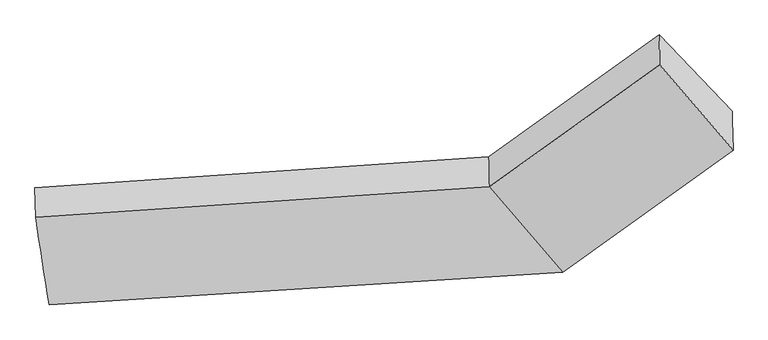
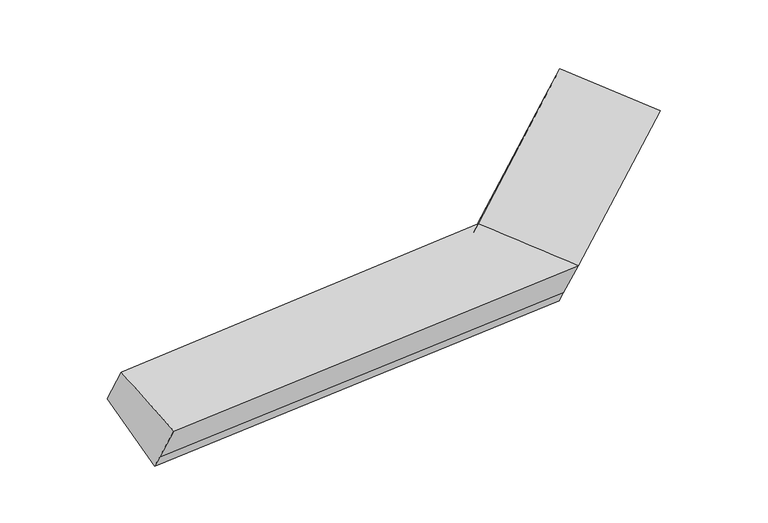
"""IFC4 building model written with IfcOpenShell, lengths in millimetres: proxy geometry."""

import ifcopenshell
import ifcopenshell.guid

model = None  # the IFC model being written
_history = None  # IfcOwnerHistory: only IFC2X3 demands one
_inside = {}  # id of a spatial element -> (the spatial element, [elements in it])
_under = {}  # id of a project, library or spatial element -> (it, [spatial elements below it])
_declared = {}  # id of a project -> (the project, [libraries it declares])
_typed = {}  # id of a type object -> (the type object, [elements of that type])
_made_of = {}  # id of a material, layer set ... -> (it, [elements and type objects made of it])


def new_model(schema):
    """Start an empty IFC model of exactly this schema.

    Asked for "IFC4X3", IfcOpenShell would pick the latest addendum, in which some entities
    have other attributes; the version numbers below select the first issue.
    IFC2X3 requires an IfcOwnerHistory on every rooted entity: one is made here for all.
    """
    global model, _history
    if schema == "IFC4X3":
        model = ifcopenshell.file(schema_version=(4, 3, 0, 0))
    else:
        model = ifcopenshell.file(schema=schema)
    _inside.clear()
    _under.clear()
    _declared.clear()
    _typed.clear()
    _made_of.clear()
    _history = None
    if model.schema == "IFC2X3":
        org = make("IfcOrganization", Name="unknown")
        user = make(
            "IfcPersonAndOrganization",
            ThePerson=make("IfcPerson", FamilyName="unknown"),
            TheOrganization=org,
        )
        app = make(
            "IfcApplication",
            ApplicationDeveloper=org,
            Version="unknown",
            ApplicationFullName="unknown",
            ApplicationIdentifier="unknown",
        )
        _history = make(
            "IfcOwnerHistory",
            OwningUser=user,
            OwningApplication=app,
            ChangeAction="ADDED",
            CreationDate=0,
        )
    return model


def make(cls, **values):
    """One entity of the class cls with the attributes given. An attribute that is None is left unset."""
    return model.create_entity(
        cls, **{name: value for name, value in values.items() if value is not None}
    )


def rooted(cls, **values):
    """An entity with a GlobalId (a new one), such as an element, a storey or a relation."""
    return make(cls, GlobalId=ifcopenshell.guid.new(), OwnerHistory=_history, **values)


def si_unit(unit_type, name, prefix=None):
    """IfcSIUnit, for example si_unit("LENGTHUNIT", "METRE", prefix="MILLI")."""
    return make("IfcSIUnit", UnitType=unit_type, Prefix=prefix, Name=name)


def assignment(units):
    """IfcUnitAssignment: the units of a project."""
    return None if units is None else make("IfcUnitAssignment", Units=units)


def point(xyz):
    """IfcCartesianPoint."""
    return None if xyz is None else make("IfcCartesianPoint", Coordinates=xyz)


def direction(xyz):
    """IfcDirection."""
    return None if xyz is None else make("IfcDirection", DirectionRatios=xyz)


def frame(location, z_axis=None, x_axis=None):
    """IfcAxis2Placement3D, a coordinate frame: its origin and axes. An axis left out is left unset."""
    return make(
        "IfcAxis2Placement3D",
        Location=point(location),
        Axis=direction(z_axis),
        RefDirection=direction(x_axis),
    )


def origin():
    """The frame at (0, 0, 0) with its axes left unset."""
    return frame((0.0, 0.0, 0.0))


def place(relative_to, where):
    """IfcLocalPlacement: puts the frame where relative to a parent placement (None: the world)."""
    return make(
        "IfcLocalPlacement", PlacementRelTo=relative_to, RelativePlacement=where
    )


def context(
    kind, dimensions, precision=None, world=None, true_north=None, identifier=None
):
    """IfcGeometricRepresentationContext, for example the 3D "Model" context."""
    return make(
        "IfcGeometricRepresentationContext",
        ContextIdentifier=identifier,
        ContextType=kind,
        CoordinateSpaceDimension=dimensions,
        Precision=precision,
        WorldCoordinateSystem=world,
        TrueNorth=true_north,
    )


def project(units=None, contexts=None):
    """IfcProject with its units and contexts."""
    return rooted(
        "IfcProject",
        Name="project",
        RepresentationContexts=contexts,
        UnitsInContext=assignment(units),
    )


def spatial(cls, under=None, at=None, **own):
    """A site, building, storey or space (cls), placed at a placement, below another one or the project."""
    s = rooted(cls, ObjectPlacement=at, **own)
    if under is not None:
        _under.setdefault(under.id(), (under, []))[1].append(s)
    return s


def shape(context_of_items, identifier, shape_type, items):
    """IfcShapeRepresentation: the items that make up one representation, for example the "Body"."""
    return make(
        "IfcShapeRepresentation",
        ContextOfItems=context_of_items,
        RepresentationIdentifier=identifier,
        RepresentationType=shape_type,
        Items=items,
    )


def source(mapping_origin, context_of_items, identifier, shape_type, items):
    """IfcRepresentationMap: a shape defined once, which mapped items show again and again."""
    return make(
        "IfcRepresentationMap",
        MappingOrigin=mapping_origin,
        MappedRepresentation=shape(context_of_items, identifier, shape_type, items),
    )


def transform(
    local_origin,
    x_axis=None,
    y_axis=None,
    z_axis=None,
    scale=None,
    scale2=None,
    scale3=None,
    uniform=True,
):
    """IfcCartesianTransformationOperator3D, or its non-uniform kind. x_axis, y_axis, z_axis: its Axis1, 2, 3."""
    if uniform:
        return make(
            "IfcCartesianTransformationOperator3D",
            Axis1=direction(x_axis),
            Axis2=direction(y_axis),
            LocalOrigin=point(local_origin),
            Scale=scale,
            Axis3=direction(z_axis),
        )
    return make(
        "IfcCartesianTransformationOperator3DnonUniform",
        Axis1=direction(x_axis),
        Axis2=direction(y_axis),
        LocalOrigin=point(local_origin),
        Scale=scale,
        Axis3=direction(z_axis),
        Scale2=scale2,
        Scale3=scale3,
    )


def mapped(mapping_source, mapping_target):
    """IfcMappedItem: shows the shape of a source again, moved by a transform."""
    return make(
        "IfcMappedItem", MappingSource=mapping_source, MappingTarget=mapping_target
    )


def made_of(thing, what):
    """Note that an element or type object is made of a material, layer set ...; save() writes the relation."""
    if what is not None:
        _made_of.setdefault(what.id(), (what, []))[1].append(thing)
    return thing


def element(
    cls,
    number,
    at=None,
    inside=None,
    cuts=None,
    type_object=None,
    material=None,
    context=None,
    identifier="Body",
    shape_type=None,
    held_by="IfcProductDefinitionShape",
    body=None,
    shapes=None,
    **own,
):
    """One element of the class cls, such as IfcWall. Its Tag is "e" and its number.

    at: its placement. inside: the storey or other place that contains it. cuts: it is an
    opening in that element (IfcRelVoidsElement). A single representation is given by context,
    identifier, shape_type and body (its items); several are given by shapes. held_by: the class
    of the entity that holds the representations. save() writes the other relations.
    """
    e = rooted(cls, Tag="e%d" % number, ObjectPlacement=at, **own)
    if body is not None:
        shapes = [shape(context, identifier, shape_type, body)]
    if shapes is not None:
        e.Representation = make(held_by, Representations=shapes)
    if inside is not None:
        _inside.setdefault(inside.id(), (inside, []))[1].append(e)
    if cuts is not None:
        rooted(
            "IfcRelVoidsElement", RelatingBuildingElement=cuts, RelatedOpeningElement=e
        )
    if type_object is not None:
        _typed.setdefault(type_object.id(), (type_object, []))[1].append(e)
    return made_of(e, material)


def aggregate(whole, parts):
    """IfcRelAggregates: a whole, such as a stair, and the parts it consists of."""
    return rooted("IfcRelAggregates", RelatingObject=whole, RelatedObjects=parts)


def save(model, path):
    """Write the relations noted so far, then the file.

    IfcRelAggregates (storeys below a building ...), IfcRelContainedInSpatialStructure (elements
    in a storey), IfcRelDefinesByType, IfcRelAssociatesMaterial and IfcRelDeclares: one each for
    every whole, place, type object, material and project.
    """
    for whole, parts in _under.values():
        aggregate(whole, parts)
    for where, things in _inside.values():
        rooted(
            "IfcRelContainedInSpatialStructure",
            RelatedElements=things,
            RelatingStructure=where,
        )
    for kind, things in _typed.values():
        rooted("IfcRelDefinesByType", RelatedObjects=things, RelatingType=kind)
    for what, things in _made_of.values():
        rooted("IfcRelAssociatesMaterial", RelatedObjects=things, RelatingMaterial=what)
    for by, libraries in _declared.values():
        rooted("IfcRelDeclares", RelatingContext=by, RelatedDefinitions=libraries)
    model.write(path)


def plane_surface(at):
    """IfcPlane: the flat surface through the origin of the frame at, square to its z axis."""
    return make("IfcPlane", Position=at)


def spline_surface(u_degree, v_degree, points, u_multiplicities, v_multiplicities, u_knots, v_knots, weights=None):
    """IfcBSplineSurfaceWithKnots; with weights, IfcRationalBSplineSurfaceWithKnots. points: one row for each step in u."""
    own = dict(
        UDegree=u_degree,
        VDegree=v_degree,
        ControlPointsList=[[point(p) for p in row] for row in points],
        SurfaceForm="UNSPECIFIED",
        UClosed=False,
        VClosed=False,
        SelfIntersect=False,
        UMultiplicities=u_multiplicities,
        VMultiplicities=v_multiplicities,
        UKnots=u_knots,
        VKnots=v_knots,
        KnotSpec="UNSPECIFIED",
    )
    if weights is None:
        return make("IfcBSplineSurfaceWithKnots", **own)
    return make("IfcRationalBSplineSurfaceWithKnots", WeightsData=weights, **own)


def advanced_brep(points, edges, surfaces, faces):
    """IfcAdvancedBrep: a solid bounded by faces that lie on surfaces and meet in shared edges.

    An edge is (start, end): straight between two places in points (the first is 0);
    or (start, end, curve); or (start, end, curve, False) where it runs against its curve.
    A face is (place in surfaces, loops), or (place, loops, False) where it looks against
    its surface's normal. A loop lists edges by number (the first is 1), with a minus sign
    where the edge is run from its end to its start. The first loop is the outer one.
    """
    corners = [point(p) for p in points]
    vertices = [make("IfcVertexPoint", VertexGeometry=c) for c in corners]
    made = []
    for start, end, *more in edges:
        made.append(
            make(
                "IfcEdgeCurve",
                EdgeStart=vertices[start],
                EdgeEnd=vertices[end],
                EdgeGeometry=more[0] if more else make("IfcPolyline", Points=[corners[start], corners[end]]),
                SameSense=more[1] if len(more) > 1 else True,
            )
        )
    hull = []
    for where, loops, *sense in faces:
        bounds = []
        for j, loop in enumerate(loops):
            ring = [make("IfcOrientedEdge", EdgeElement=made[abs(k) - 1], Orientation=k > 0) for k in loop]
            bounds.append(
                make(
                    "IfcFaceOuterBound" if j == 0 else "IfcFaceBound",
                    Bound=make("IfcEdgeLoop", EdgeList=ring),
                    Orientation=True,
                )
            )
        hull.append(make("IfcAdvancedFace", Bounds=bounds, FaceSurface=surfaces[where], SameSense=sense[0] if sense else True))
    return make("IfcAdvancedBrep", Outer=make("IfcClosedShell", CfsFaces=hull))


def generic_models_867c1036(model_context):
    return source(origin(), model_context, "Body", "AdvancedBrep", [
        advanced_brep(
        [(-3069.422043, -1785.8476015, 1659.4263255), (-3064.5225502, -2022.7290482, 2076.5557259), (583.3292904, -1778.891376, 2194.7185059), (578.354201, -1538.3549691, 1771.1530111), (-2962.5547231, -2413.2532367, 1301.8769654), (1166.6116532, -2150.4599727, 1416.6383647), (-2960.9206144, -2492.2593799, 1441.0005041), (1168.0414983, -2219.590348, 1538.3714611), (-2956.0866576, -2725.9722861, 1852.5503567), (1173.0889127, -2463.6235396, 1968.094516), (2538.5092713, -1238.7779531, 2074.3737814), (2537.0794262, -1169.6475778, 1952.640685), (1948.821974, -557.5425742, 2307.1553313), (1953.7970634, -798.0789811, 2730.7208262), (2543.5566858, -1482.8111447, 2504.0968362)],
        [
            (0, 1),
            (1, 2),
            (2, 3),
            (3, 0),
            (4, 0),
            (0, 5),
            (5, 4),
            (6, 4),
            (5, 7),
            (7, 6),
            (8, 6),
            (7, 9),
            (9, 8),
            (1, 8),
            (9, 2),
            (10, 11),
            (11, 12),
            (12, 13),
            (13, 14),
            (14, 10),
            (3, 5),
            (5, 11),
            (10, 7),
            (3, 12),
            (2, 13),
            (9, 14),
        ],
        [
            plane_surface(frame((-3066.9722966, -1904.2883249, 1867.9910257), z_axis=(-0.07391493444929288, 0.8668157603156672, 0.4931196813489892), x_axis=(0.010213179108148578, -0.4937883947776795, 0.8695221171168606))),
            plane_surface(frame((-3015.988383, -2099.5504191, 1480.6516454), z_axis=(-0.007289811134977155, 0.49417721173688905, -0.8693306287331481), x_axis=(-0.1463935888767046, 0.8594597742141509, 0.4897936439395262))),
            plane_surface(frame((-2961.7376688, -2452.7563083, 1371.4387348), z_axis=(0.06889730520929876, -0.8671534554465998, -0.4932525175221295), x_axis=(-0.01021317910814871, 0.49378839477767733, -0.8695221171168619))),
            plane_surface(frame((-2958.503636, -2609.115833, 1646.7754304), z_axis=(0.0688973052092987, -0.8671534554465987, -0.4932525175221313), x_axis=(-0.010213179108148552, 0.49378839477767916, -0.8695221171168608))),
            spline_surface(1, 1, [[(-3064.5225502, -2022.7290482, 2076.5557259), (583.3292904, -1778.891376, 2194.7185059)], [(-2956.0866576, -2725.9722861, 1852.5503567), (1173.0889127, -2463.6235396, 1968.094516)]], [2, 2], [2, 2], [0.0, 1.0], [0.0, 1.0]),
            plane_surface(frame((2245.8137874, -1002.0200695, 2373.6534197), z_axis=(0.7687978877975982, 0.5599169422212359, 0.3089382228400578), x_axis=(-0.010213179108148515, 0.4937883947776794, -0.8695221171168608))),
            plane_surface(frame((-3013.1464935, -2236.9505431, 1722.6023434), z_axis=(-0.9891736996646765, -0.1322948135439945, -0.06350963864687369), x_axis=(-0.010213179108148321, 0.49378839477767966, -0.8695221171168607))),
            plane_surface(frame((-3069.422043, -1785.8476015, 1659.4263255), z_axis=(-0.0070642763879952275, 0.4960775423955799, -0.8682494848428508), x_axis=(-0.6394102741514739, 0.665331525629514, 0.38534200694063997))),
            plane_surface(frame((1167.3265757, -2185.0251603, 1477.5049129), z_axis=(0.6319108086961631, -0.6707400198697703, -0.3883253218605011), x_axis=(-0.010213179108144966, 0.49378839477767944, -0.8695221171168608))),
            plane_surface(frame((872.4829271, -1844.4074709, 1593.8956879), z_axis=(-0.012061287733590248, 0.4924409655336561, -0.8702622712737168), x_axis=(-0.639410274151469, 0.665331525629518, 0.3853420069406415))),
            plane_surface(frame((580.8417457, -1658.6231726, 1982.9357585), z_axis=(-0.6319108086961666, 0.6707400198697666, 0.3883253218605018), x_axis=(0.010213179108148491, -0.49378839477767944, 0.8695221171168607))),
            plane_surface(frame((878.2091016, -2121.2574578, 2081.406511), z_axis=(-0.08785152689686526, -0.3803720837994923, 0.9206515014314167), x_axis=(0.6330046819103493, -0.7349412353352975, -0.2432415533649719))),
            plane_surface(frame((1170.5652055, -2341.6069438, 1753.2329886), z_axis=(0.631910808696163, -0.6707400198697689, -0.3883253218605036), x_axis=(-0.010213179108149522, 0.4937883947776794, -0.8695221171168608))),
        ],
        [
            (0, [[1, 2, 3, 4]]),
            (1, [[5, 6, 7]]),
            (2, [[8, -7, 9, 10]]),
            (3, [[11, -10, 12, 13]]),
            (4, [[14, -13, 15, -2]]),
            (5, [[16, 17, 18, 19, 20]]),
            (6, [[-1, -5, -8, -11, -14]]),
            (7, [[21, -6, -4]]),
            (8, [[-9, 22, -16, 23]]),
            (9, [[-21, 24, -17, -22]]),
            (10, [[-3, 25, -18, -24]]),
            (11, [[-15, 26, -19, -25]]),
            (12, [[-12, -23, -20, -26]]),
        ],
    ),
    ])


if __name__ == "__main__":
    model = new_model("IFC4")
    model_context = context("Model", 3, world=origin())
    ifc_project = project(units=[si_unit("LENGTHUNIT", "METRE", prefix="MILLI")], contexts=[model_context])
    site = spatial("IfcSite", under=ifc_project)
    building = spatial("IfcBuilding", under=site)
    placement = place(None, origin())
    generic_models_shape = generic_models_867c1036(model_context)
    element("IfcBuildingElementProxy", 1, Name="Generic Models", at=placement, inside=building, context=model_context, shape_type="MappedRepresentation", body=[
        mapped(generic_models_shape, transform((0.0, 0.0, 0.0), x_axis=(1.0, 0.0, 0.0), y_axis=(0.0, 1.0, 0.0), z_axis=(0.0, 0.0, 1.0))),
    ])
    save(model, "model.ifc")
